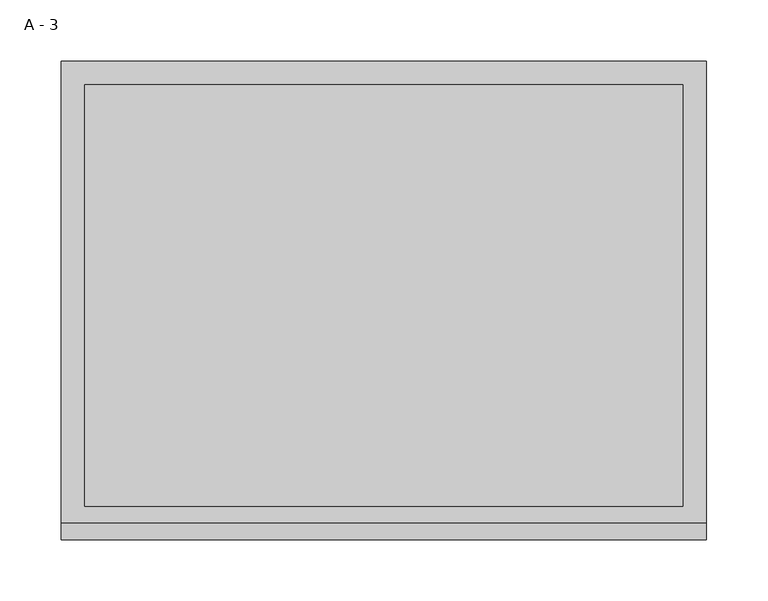
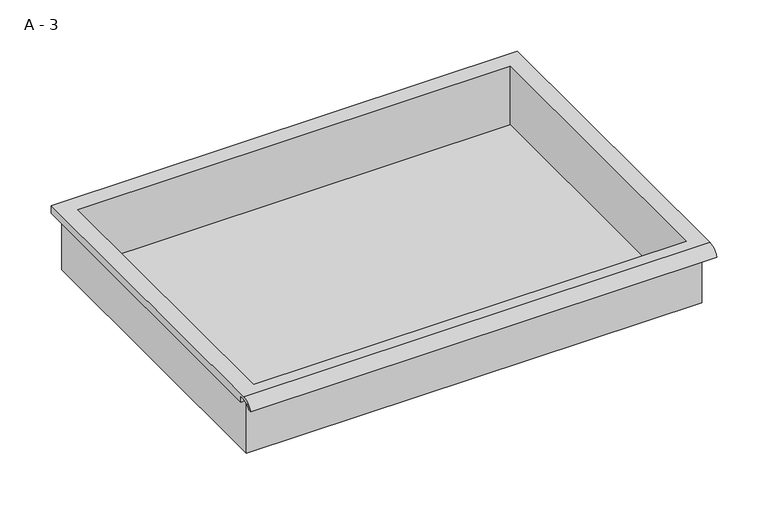
"""IFC4 building model written with IfcOpenShell, lengths in millimetres: furniture geometry, A - 3."""

import ifcopenshell
import ifcopenshell.guid

model = None  # the IFC model being written
_history = None  # IfcOwnerHistory: only IFC2X3 demands one
_inside = {}  # id of a spatial element -> (the spatial element, [elements in it])
_under = {}  # id of a project, library or spatial element -> (it, [spatial elements below it])
_declared = {}  # id of a project -> (the project, [libraries it declares])
_typed = {}  # id of a type object -> (the type object, [elements of that type])
_made_of = {}  # id of a material, layer set ... -> (it, [elements and type objects made of it])


def new_model(schema):
    """Start an empty IFC model of exactly this schema.

    Asked for "IFC4X3", IfcOpenShell would pick the latest addendum, in which some entities
    have other attributes; the version numbers below select the first issue.
    IFC2X3 requires an IfcOwnerHistory on every rooted entity: one is made here for all.
    """
    global model, _history
    if schema == "IFC4X3":
        model = ifcopenshell.file(schema_version=(4, 3, 0, 0))
    else:
        model = ifcopenshell.file(schema=schema)
    _inside.clear()
    _under.clear()
    _declared.clear()
    _typed.clear()
    _made_of.clear()
    _history = None
    if model.schema == "IFC2X3":
        org = make("IfcOrganization", Name="unknown")
        user = make(
            "IfcPersonAndOrganization",
            ThePerson=make("IfcPerson", FamilyName="unknown"),
            TheOrganization=org,
        )
        app = make(
            "IfcApplication",
            ApplicationDeveloper=org,
            Version="unknown",
            ApplicationFullName="unknown",
            ApplicationIdentifier="unknown",
        )
        _history = make(
            "IfcOwnerHistory",
            OwningUser=user,
            OwningApplication=app,
            ChangeAction="ADDED",
            CreationDate=0,
        )
    return model


def make(cls, **values):
    """One entity of the class cls with the attributes given. An attribute that is None is left unset."""
    return model.create_entity(
        cls, **{name: value for name, value in values.items() if value is not None}
    )


def rooted(cls, **values):
    """An entity with a GlobalId (a new one), such as an element, a storey or a relation."""
    return make(cls, GlobalId=ifcopenshell.guid.new(), OwnerHistory=_history, **values)


def si_unit(unit_type, name, prefix=None):
    """IfcSIUnit, for example si_unit("LENGTHUNIT", "METRE", prefix="MILLI")."""
    return make("IfcSIUnit", UnitType=unit_type, Prefix=prefix, Name=name)


def assignment(units):
    """IfcUnitAssignment: the units of a project."""
    return None if units is None else make("IfcUnitAssignment", Units=units)


def point(xyz):
    """IfcCartesianPoint."""
    return None if xyz is None else make("IfcCartesianPoint", Coordinates=xyz)


def direction(xyz):
    """IfcDirection."""
    return None if xyz is None else make("IfcDirection", DirectionRatios=xyz)


def frame(location, z_axis=None, x_axis=None):
    """IfcAxis2Placement3D, a coordinate frame: its origin and axes. An axis left out is left unset."""
    return make(
        "IfcAxis2Placement3D",
        Location=point(location),
        Axis=direction(z_axis),
        RefDirection=direction(x_axis),
    )


def origin():
    """The frame at (0, 0, 0) with its axes left unset."""
    return frame((0.0, 0.0, 0.0))


def place(relative_to, where):
    """IfcLocalPlacement: puts the frame where relative to a parent placement (None: the world)."""
    return make(
        "IfcLocalPlacement", PlacementRelTo=relative_to, RelativePlacement=where
    )


def context(
    kind, dimensions, precision=None, world=None, true_north=None, identifier=None
):
    """IfcGeometricRepresentationContext, for example the 3D "Model" context."""
    return make(
        "IfcGeometricRepresentationContext",
        ContextIdentifier=identifier,
        ContextType=kind,
        CoordinateSpaceDimension=dimensions,
        Precision=precision,
        WorldCoordinateSystem=world,
        TrueNorth=true_north,
    )


def project(units=None, contexts=None):
    """IfcProject with its units and contexts."""
    return rooted(
        "IfcProject",
        Name="project",
        RepresentationContexts=contexts,
        UnitsInContext=assignment(units),
    )


def spatial(cls, under=None, at=None, **own):
    """A site, building, storey or space (cls), placed at a placement, below another one or the project."""
    s = rooted(cls, ObjectPlacement=at, **own)
    if under is not None:
        _under.setdefault(under.id(), (under, []))[1].append(s)
    return s


def polyline(points):
    """IfcPolyline through the points."""
    return make("IfcPolyline", Points=[point(p) for p in points])


def circle_curve(where, radius):
    """IfcCircle in the frame where."""
    return make("IfcCircle", Position=where, Radius=radius)


def shape(context_of_items, identifier, shape_type, items):
    """IfcShapeRepresentation: the items that make up one representation, for example the "Body"."""
    return make(
        "IfcShapeRepresentation",
        ContextOfItems=context_of_items,
        RepresentationIdentifier=identifier,
        RepresentationType=shape_type,
        Items=items,
    )


def source(mapping_origin, context_of_items, identifier, shape_type, items):
    """IfcRepresentationMap: a shape defined once, which mapped items show again and again."""
    return make(
        "IfcRepresentationMap",
        MappingOrigin=mapping_origin,
        MappedRepresentation=shape(context_of_items, identifier, shape_type, items),
    )


def transform(
    local_origin,
    x_axis=None,
    y_axis=None,
    z_axis=None,
    scale=None,
    scale2=None,
    scale3=None,
    uniform=True,
):
    """IfcCartesianTransformationOperator3D, or its non-uniform kind. x_axis, y_axis, z_axis: its Axis1, 2, 3."""
    if uniform:
        return make(
            "IfcCartesianTransformationOperator3D",
            Axis1=direction(x_axis),
            Axis2=direction(y_axis),
            LocalOrigin=point(local_origin),
            Scale=scale,
            Axis3=direction(z_axis),
        )
    return make(
        "IfcCartesianTransformationOperator3DnonUniform",
        Axis1=direction(x_axis),
        Axis2=direction(y_axis),
        LocalOrigin=point(local_origin),
        Scale=scale,
        Axis3=direction(z_axis),
        Scale2=scale2,
        Scale3=scale3,
    )


def mapped(mapping_source, mapping_target):
    """IfcMappedItem: shows the shape of a source again, moved by a transform."""
    return make(
        "IfcMappedItem", MappingSource=mapping_source, MappingTarget=mapping_target
    )


def made_of(thing, what):
    """Note that an element or type object is made of a material, layer set ...; save() writes the relation."""
    if what is not None:
        _made_of.setdefault(what.id(), (what, []))[1].append(thing)
    return thing


def element(
    cls,
    number,
    at=None,
    inside=None,
    cuts=None,
    type_object=None,
    material=None,
    context=None,
    identifier="Body",
    shape_type=None,
    held_by="IfcProductDefinitionShape",
    body=None,
    shapes=None,
    **own,
):
    """One element of the class cls, such as IfcWall. Its Tag is "e" and its number.

    at: its placement. inside: the storey or other place that contains it. cuts: it is an
    opening in that element (IfcRelVoidsElement). A single representation is given by context,
    identifier, shape_type and body (its items); several are given by shapes. held_by: the class
    of the entity that holds the representations. save() writes the other relations.
    """
    e = rooted(cls, Tag="e%d" % number, ObjectPlacement=at, **own)
    if body is not None:
        shapes = [shape(context, identifier, shape_type, body)]
    if shapes is not None:
        e.Representation = make(held_by, Representations=shapes)
    if inside is not None:
        _inside.setdefault(inside.id(), (inside, []))[1].append(e)
    if cuts is not None:
        rooted(
            "IfcRelVoidsElement", RelatingBuildingElement=cuts, RelatedOpeningElement=e
        )
    if type_object is not None:
        _typed.setdefault(type_object.id(), (type_object, []))[1].append(e)
    return made_of(e, material)


def aggregate(whole, parts):
    """IfcRelAggregates: a whole, such as a stair, and the parts it consists of."""
    return rooted("IfcRelAggregates", RelatingObject=whole, RelatedObjects=parts)


def save(model, path):
    """Write the relations noted so far, then the file.

    IfcRelAggregates (storeys below a building ...), IfcRelContainedInSpatialStructure (elements
    in a storey), IfcRelDefinesByType, IfcRelAssociatesMaterial and IfcRelDeclares: one each for
    every whole, place, type object, material and project.
    """
    for whole, parts in _under.values():
        aggregate(whole, parts)
    for where, things in _inside.values():
        rooted(
            "IfcRelContainedInSpatialStructure",
            RelatedElements=things,
            RelatingStructure=where,
        )
    for kind, things in _typed.values():
        rooted("IfcRelDefinesByType", RelatedObjects=things, RelatingType=kind)
    for what, things in _made_of.values():
        rooted("IfcRelAssociatesMaterial", RelatedObjects=things, RelatingMaterial=what)
    for by, libraries in _declared.values():
        rooted("IfcRelDeclares", RelatingContext=by, RelatedDefinitions=libraries)
    model.write(path)


def plane_surface(at):
    """IfcPlane: the flat surface through the origin of the frame at, square to its z axis."""
    return make("IfcPlane", Position=at)


def cylinder_surface(at, radius):
    """IfcCylindricalSurface: all points at the distance radius from the z axis of the frame at."""
    return make("IfcCylindricalSurface", Position=at, Radius=radius)


def revolved_surface(curve, axis_point, axis_direction):
    """IfcSurfaceOfRevolution: the curve turned about the line through axis_point along axis_direction."""
    return make(
        "IfcSurfaceOfRevolution",
        SweptCurve=make("IfcArbitraryOpenProfileDef", ProfileType="CURVE", Curve=curve),
        AxisPosition=make("IfcAxis1Placement", Location=point(axis_point), Axis=direction(axis_direction)),
    )


def advanced_brep(points, edges, surfaces, faces):
    """IfcAdvancedBrep: a solid bounded by faces that lie on surfaces and meet in shared edges.

    An edge is (start, end): straight between two places in points (the first is 0);
    or (start, end, curve); or (start, end, curve, False) where it runs against its curve.
    A face is (place in surfaces, loops), or (place, loops, False) where it looks against
    its surface's normal. A loop lists edges by number (the first is 1), with a minus sign
    where the edge is run from its end to its start. The first loop is the outer one.
    """
    corners = [point(p) for p in points]
    vertices = [make("IfcVertexPoint", VertexGeometry=c) for c in corners]
    made = []
    for start, end, *more in edges:
        made.append(
            make(
                "IfcEdgeCurve",
                EdgeStart=vertices[start],
                EdgeEnd=vertices[end],
                EdgeGeometry=more[0] if more else make("IfcPolyline", Points=[corners[start], corners[end]]),
                SameSense=more[1] if len(more) > 1 else True,
            )
        )
    hull = []
    for where, loops, *sense in faces:
        bounds = []
        for j, loop in enumerate(loops):
            ring = [make("IfcOrientedEdge", EdgeElement=made[abs(k) - 1], Orientation=k > 0) for k in loop]
            bounds.append(
                make(
                    "IfcFaceOuterBound" if j == 0 else "IfcFaceBound",
                    Bound=make("IfcEdgeLoop", EdgeList=ring),
                    Orientation=True,
                )
            )
        hull.append(make("IfcAdvancedFace", Bounds=bounds, FaceSurface=surfaces[where], SameSense=sense[0] if sense else True))
    return make("IfcAdvancedBrep", Outer=make("IfcClosedShell", CfsFaces=hull))


def a_3_ef7bcf78(model_context):
    return source(origin(), model_context, "Body", "AdvancedBrep", [
        advanced_brep(
        [(-257.1076517, -176.2125, 788.6192), (257.2423483, -176.2125, 788.6192), (257.2423483, -176.2125, 852.1192), (263.5923483, -176.2125, 852.1192), (263.5923483, -176.2125, 858.4263341), (-263.4576517, -176.2125, 858.4263341), (-263.4576517, -176.2125, 852.1192), (-257.1076517, -176.2125, 852.1192), (257.2423483, 185.7375, 788.6192), (-257.1076517, 185.7375, 788.6192), (-257.1076517, 185.7375, 852.1192), (257.2423483, 185.7375, 852.1192), (263.5923483, -181.6070544, 861.6442), (263.5923483, 195.2625, 861.6442), (-263.4576517, 195.2625, 861.6442), (-263.4576517, -181.6070544, 861.6442), (244.5423483, -168.275, 861.6442), (-244.4076517, -168.275, 861.6442), (-244.4076517, 176.2125, 861.6442), (244.5423483, 176.2125, 861.6442), (263.5923483, -195.2625, 852.1192), (263.5923483, -191.8280601, 852.1192), (263.5923483, -180.4714815, 858.4263341), (263.5923483, 195.2625, 852.1192), (-263.4576517, 195.2625, 852.1192), (-263.4576517, -180.4714815, 858.4263341), (-263.4576517, -191.8280601, 852.1192), (-263.4576517, -195.2625, 852.1192), (-244.4076517, -168.275, 791.6453719), (244.5423483, -168.275, 791.6453719), (244.5423483, 176.2125, 791.6453719), (-244.4076517, 176.2125, 791.6453719)],
        [
            (0, 1),
            (1, 2),
            (2, 3),
            (3, 4),
            (4, 5),
            (5, 6),
            (6, 7),
            (7, 0),
            (8, 9),
            (9, 10),
            (10, 11),
            (11, 8),
            (0, 9),
            (8, 1),
            (11, 2),
            (12, 13),
            (13, 14),
            (14, 15),
            (15, 12),
            (16, 17),
            (17, 18),
            (18, 19),
            (19, 16),
            (7, 10),
            (12, 20, circle_curve(frame((263.5923483, -181.6070544, 847.0931859), z_axis=(1.0, 0.0, 0.0), x_axis=(0.0, 1.0, 0.0)), 14.5510141)),
            (20, 21),
            (21, 22, circle_curve(frame((263.5923483, -181.6070544, 847.0931859), z_axis=(-1.0, 0.0, 0.0), x_axis=(0.0, 1.0, 0.0)), 11.3898979)),
            (22, 4),
            (3, 23),
            (23, 13),
            (14, 24),
            (24, 6),
            (5, 25),
            (25, 26, circle_curve(frame((-263.4576517, -181.6070544, 847.0931859), z_axis=(1.0, 0.0, 0.0), x_axis=(0.0, 1.0, 0.0)), 11.3898979)),
            (26, 27),
            (27, 15, circle_curve(frame((-263.4576517, -181.6070544, 847.0931859), z_axis=(-1.0, 0.0, 0.0), x_axis=(0.0, 1.0, 0.0)), 14.5510141)),
            (27, 20),
            (26, 21),
            (25, 22),
            (24, 23),
            (28, 29),
            (29, 30),
            (30, 31),
            (31, 28),
            (28, 17),
            (16, 29),
            (19, 30),
            (18, 31),
        ],
        [
            plane_surface(frame((257.2423483, -176.2125, 788.6192), z_axis=(0.0, -1.0, 0.0), x_axis=(1.0, 0.0, 0.0))),
            plane_surface(frame((257.2423483, 185.7375, 788.6192), z_axis=(0.0, 1.0, 0.0), x_axis=(-1.0, 0.0, 0.0))),
            plane_surface(frame((-257.1076517, -176.2125, 788.6192), z_axis=(0.0, 0.0, -1.0), x_axis=(0.0, 1.0, 0.0))),
            plane_surface(frame((257.2423483, -176.2125, 788.6192), z_axis=(1.0, 0.0, 0.0), x_axis=(0.0, 1.0, 0.0))),
            plane_surface(frame((257.2423483, -176.2125, 861.6442), z_axis=(0.0, 0.0, 1.0), x_axis=(0.0, 1.0, 0.0))),
            plane_surface(frame((-257.1076517, -176.2125, 861.6442), z_axis=(-1.0, 0.0, 0.0), x_axis=(0.0, 1.0, 0.0))),
            plane_surface(frame((263.5923483, 195.2625, 861.6442), z_axis=(1.0, 0.0, 0.0), x_axis=(0.0, -1.0, 0.0))),
            plane_surface(frame((-263.4576517, 195.2625, 861.6442), z_axis=(-1.0, 0.0, 0.0), x_axis=(0.0, 1.0, 0.0))),
            cylinder_surface(frame((-263.4576517, -181.6070544, 847.0931859), z_axis=(1.0, 0.0, 0.0), x_axis=(0.0, 1.0, 0.0)), 14.5510141),
            plane_surface(frame((263.5923483, -195.2625, 852.1192), z_axis=(0.0, -7.212409108516038e-12, -1.0), x_axis=(-1.0, 0.0, 0.0))),
            revolved_surface(polyline([(-263.4576517, -170.21715650000002, 847.0931859), (263.59234829999997, -170.21715650000002, 847.0931859)]), (-263.4576517, -181.6070544, 847.0931859), (-1.0, 0.0, 0.0)),
            plane_surface(frame((263.5923483, -180.4714815, 858.4263341), z_axis=(0.0, -1.782962839538068e-11, -1.0), x_axis=(-1.0, 0.0, 0.0))),
            plane_surface(frame((263.5923483, -176.2125, 852.1192), z_axis=(0.0, 0.0, -1.0), x_axis=(-1.0, 0.0, 0.0))),
            plane_surface(frame((263.5923483, 195.2625, 852.1192), z_axis=(0.0, 1.0, 0.0), x_axis=(-1.0, 0.0, 0.0))),
            plane_surface(frame((244.5423483, -168.275, 791.6453719), z_axis=(0.0, 0.0, 1.0), x_axis=(-1.0, 0.0, 0.0))),
            plane_surface(frame((-244.4076517, -168.275, 861.6442), z_axis=(0.0, 1.0, 0.0), x_axis=(0.0, 0.0, -1.0))),
            plane_surface(frame((244.5423483, -168.275, 861.6442), z_axis=(-1.0, 0.0, 0.0), x_axis=(0.0, 0.0, -1.0))),
            plane_surface(frame((244.5423483, 176.2125, 861.6442), z_axis=(0.0, -1.0, 0.0), x_axis=(0.0, 0.0, -1.0))),
            plane_surface(frame((-244.4076517, 176.2125, 861.6442), z_axis=(1.0, 0.0, 0.0), x_axis=(0.0, 0.0, -1.0))),
        ],
        [
            (0, [[1, 2, 3, 4, 5, 6, 7, 8]]),
            (1, [[9, 10, 11, 12]]),
            (2, [[-1, 13, -9, 14]]),
            (3, [[-14, -12, 15, -2]]),
            (4, [[16, 17, 18, 19], [20, 21, 22, 23]]),
            (5, [[-13, -8, 24, -10]]),
            (6, [[-16, 25, 26, 27, 28, -4, 29, 30]]),
            (7, [[31, 32, -6, 33, 34, 35, 36, -18]]),
            (8, [[-25, -19, -36, 37]]),
            (9, [[-26, -37, -35, 38]]),
            (10, [[-27, -38, -34, 39]]),
            (11, [[-28, -39, -33, -5]]),
            (12, [[-29, -3, -15, -11, -24, -7, -32, 40]]),
            (13, [[-30, -40, -31, -17]]),
            (14, [[41, 42, 43, 44]]),
            (15, [[-41, 45, -20, 46]]),
            (16, [[-42, -46, -23, 47]]),
            (17, [[-43, -47, -22, 48]]),
            (18, [[-44, -48, -21, -45]]),
        ],
    ),
    ])


if __name__ == "__main__":
    model = new_model("IFC4")
    model_context = context("Model", 3, world=origin())
    ifc_project = project(units=[si_unit("LENGTHUNIT", "METRE", prefix="MILLI")], contexts=[model_context])
    site = spatial("IfcSite", under=ifc_project)
    building = spatial("IfcBuilding", under=site)
    placement = place(None, origin())
    a_3_shape = a_3_ef7bcf78(model_context)
    element("IfcFurniture", 1, ObjectType="A - 3", at=placement, inside=building, context=model_context, shape_type="MappedRepresentation", body=[
        mapped(a_3_shape, transform((0.0, 0.0, 0.0), x_axis=(1.0, 0.0, 0.0), y_axis=(0.0, 1.0, 0.0), z_axis=(0.0, 0.0, 1.0))),
    ])
    save(model, "model.ifc")
